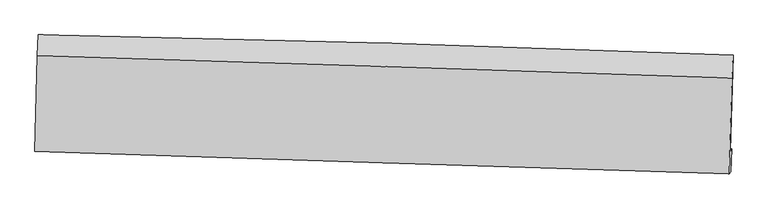
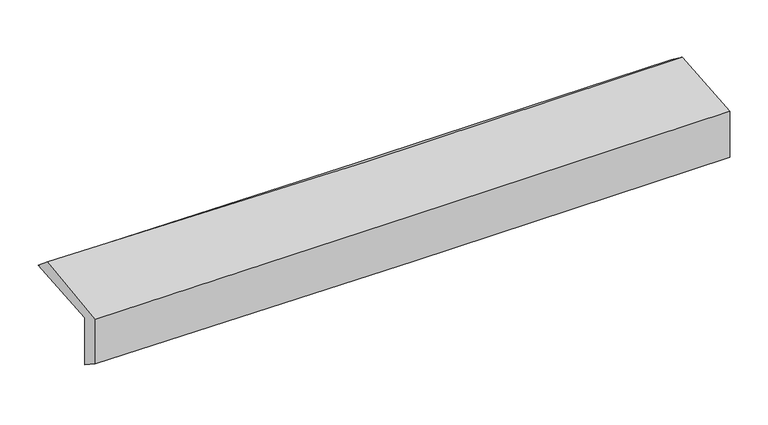
"""IFC4 building model written with IfcOpenShell, lengths in millimetres: proxy geometry."""

from ifc_helpers import new_model, si_unit, frame, origin, place, context, project, spatial, source, transform, mapped, element, save
from ifc_brep_helpers import plane_surface, spline_curve, spline_surface, advanced_brep


def generic_models_8200b34a(model_context):
    return source(origin(), model_context, "Body", "AdvancedBrep", [
        advanced_brep(
        [(-2439.6498476, -1728.8237636, 2002.9398305), (-2421.266568, -1064.4593625, 2025.6650623), (2425.2841714, -1205.2949627, 2102.9526581), (2405.9781784, -1880.3211587, 2079.8479111), (-2429.9802204, -1710.9555507, 1598.6023602), (2415.5301783, -1862.6703056, 1680.4290474), (-2436.7061098, -1863.5817476, 1703.8363478), (2408.1094389, -2021.0541666, 1802.8298453), (-2445.8109644, -1880.4063343, 2084.557736), (2398.7616136, -2038.3277314, 2193.7110996), (-2428.0292953, -1208.8277278, 2142.8921568), (2417.8814587, -1365.5763742, 2222.0918578)],
        [
            (0, 1),
            (1, 2, spline_curve(3, [(-2421.266568, -1064.4593625, 2025.6650623), (-1609.651359418, -1078.595682225, 2025.73288734), (-798.291115388, -1097.468355938, 2032.260807958), (817.221604103, -1144.491455516, 2058.129590294), (1621.378273412, -1172.563981809, 2077.364201481), (2425.2841714, -1205.2949627, 2102.9526581)], [4, 2, 4], [0.0, 7.987529274662951, 15.90910017285966])),
            (2, 3),
            (3, 0, spline_curve(3, [(2405.9781784, -1880.3211587, 2079.8479111), (1602.036009388, -1852.642035545, 2054.08909397), (797.937386364, -1826.224779291, 2034.800313799), (-817.269339615, -1775.704546615, 2009.056093884), (-1628.380058124, -1751.622670915, 2002.708846862), (-2439.6498476, -1728.8237636, 2002.9398305)], [4, 2, 4], [0.0, 7.921570898196708, 15.90910017285966])),
            (4, 0),
            (3, 5),
            (5, 4, spline_curve(3, [(2415.5301783, -1862.6703056, 1680.4290474), (1611.567805069, -1835.02851741, 1655.515080639), (807.468758852, -1808.612042787, 1636.243984907), (-807.699088514, -1758.019967864, 1608.874061485), (-1618.770175359, -1733.864857589, 1600.869594741), (-2429.9802204, -1710.9555507, 1598.6023602)], [4, 2, 4], [0.0, 7.92098272239064, 15.907918923845008])),
            (6, 4),
            (5, 7),
            (7, 6, spline_curve(3, [(2408.1094389, -2021.0541666, 1802.8298453), (1604.116918299, -1994.292904159, 1779.190619166), (800.06016099, -1967.842682812, 1759.140806129), (-814.877280802, -1915.346675023, 1726.082950968), (-1625.759039887, -1889.306090219, 1713.134931219), (-2436.7061098, -1863.5817476, 1703.8363478)], [4, 2, 4], [0.0, 7.920714050349884, 15.907379342685541])),
            (8, 6),
            (7, 9),
            (9, 8, spline_curve(3, [(2398.7616136, -2038.3277314, 2193.7110996), (1594.731837182, -2011.635313215, 2171.629736455), (790.676454645, -1985.182551126, 2151.522434852), (-824.180642953, -1932.538077778, 2115.104969661), (-1634.982786608, -1906.350374155, 2098.827816712), (-2445.8109644, -1880.4063343, 2084.557736)], [4, 2, 4], [0.0, 7.920456910714483, 15.906862922360512])),
            (10, 8),
            (9, 11),
            (11, 10, spline_curve(3, [(2417.8814587, -1365.5763742, 2222.0918578), (1613.86437767, -1338.684984546, 2195.075267248), (809.704777537, -1312.22924511, 2174.965605147), (-805.596423879, -1259.972411129, 2148.450205662), (-1616.740408384, -1234.178602001, 2142.15996775), (-2428.0292953, -1208.8277278, 2142.8921568)], [4, 2, 4], [0.0, 7.92106609079863, 15.908086354821894])),
            (1, 10),
            (11, 2),
        ],
        [
            spline_surface(3, 3, [[(-2439.6498476, -1728.8237636, 2002.9398305), (-1628.380058253, -1751.622670946, 2002.708846962), (-817.269339499, -1775.70454652, 2009.056093852), (797.937386248, -1826.224779386, 2034.800313831), (1602.036009485, -1852.642035519, 2054.089093862), (2405.9781784, -1880.3211587, 2079.8479111)], [(-2433.522087705, -1507.368963217, 2010.514907768), (-1622.137158637, -1527.280341371, 2010.383527081), (-810.943264808, -1549.625816327, 2016.790998607), (804.365458914, -1598.980338096, 2042.576739286), (1608.483430778, -1625.949350965, 2061.84746304), (2412.413509402, -1655.312426673, 2087.549493445)], [(-2427.394327895, -1285.914162883, 2018.089985032), (-1615.894259104, -1302.938011842, 2018.058207196), (-804.61719017, -1323.547086133, 2024.525903333), (810.793531527, -1371.735896804, 2050.35316471), (1614.930852067, -1399.256666491, 2069.605832183), (2418.848840398, -1430.303694727, 2095.251075755)], [(-2421.266568, -1064.4593625, 2025.6650623), (-1609.651359488, -1078.595682267, 2025.732887315), (-798.291115479, -1097.46835594, 2032.260808088), (817.221604193, -1144.491455514, 2058.129590165), (1621.378273361, -1172.563981936, 2077.364201361), (2425.2841714, -1205.2949627, 2102.9526581)]], [4, 4], [4, 2, 4], [0.0, 2.2330607099106308], [0.0, 7.987529274662951, 15.90910017285966]),
            spline_surface(3, 3, [[(-2429.9802204, -1710.9555507, 1598.6023602), (-1618.7701753, -1733.864857639, 1600.869594704), (-807.699088562, -1758.019967887, 1608.874061431), (807.4687589, -1808.612042765, 1636.243984962), (1611.567805002, -1835.028517489, 1655.515080608), (2415.5301783, -1862.6703056, 1680.4290474)], [(-2433.203429466, -1716.911621688, 1733.381516997), (-1621.973469616, -1739.784128763, 1734.816012153), (-810.889172215, -1763.914827423, 1742.268072236), (804.291634675, -1814.482954964, 1769.096094583), (1608.390539805, -1840.899690187, 1788.373085016), (2412.346178309, -1868.553923321, 1813.568668623)], [(-2436.426638534, -1722.867692612, 1868.160673703), (-1625.176763936, -1745.703399822, 1868.762429512), (-814.079255846, -1769.809686983, 1875.662083046), (801.114510473, -1820.353867186, 1901.948204209), (1605.213274682, -1846.770862822, 1921.231089455), (2409.162178391, -1874.437540979, 1946.708289877)], [(-2439.6498476, -1728.8237636, 2002.9398305), (-1628.380058253, -1751.622670946, 2002.708846962), (-817.269339499, -1775.70454652, 2009.056093852), (797.937386248, -1826.224779386, 2034.800313831), (1602.036009485, -1852.642035519, 2054.089093862), (2405.9781784, -1880.3211587, 2079.8479111)]], [4, 4], [4, 2, 4], [0.0, 1.3119416534246389], [0.0, 7.986936201454368, 15.907918923845008]),
            spline_surface(3, 3, [[(-2436.7061098, -1863.5817476, 1703.8363478), (-1625.759039946, -1889.306090329, 1713.134931264), (-814.877280929, -1915.346675106, 1726.082950876), (800.060161116, -1967.84268273, 1759.140806221), (1604.116918354, -1994.292904265, 1779.190619066), (2408.1094389, -2021.0541666, 1802.8298453)], [(-2434.464146679, -1812.70634863, 1668.75835193), (-1623.42941841, -1837.492346095, 1675.713152407), (-812.484550129, -1862.904439377, 1687.01332105), (802.529693721, -1914.765802753, 1718.175199124), (1606.600547265, -1941.204775323, 1737.965439569), (2410.583018728, -1968.259546249, 1762.029579322)], [(-2432.222183521, -1761.83094967, 1633.68035607), (-1621.099796836, -1785.678601873, 1638.29137356), (-810.091819362, -1810.462203616, 1647.943691256), (804.999226294, -1861.688922742, 1677.209592058), (1609.084176091, -1888.116646432, 1696.740260105), (2413.056598472, -1915.464925951, 1721.229313378)], [(-2429.9802204, -1710.9555507, 1598.6023602), (-1618.7701753, -1733.864857639, 1600.869594704), (-807.699088562, -1758.019967887, 1608.874061431), (807.4687589, -1808.612042765, 1636.243984962), (1611.567805002, -1835.028517489, 1655.515080608), (2415.5301783, -1862.6703056, 1680.4290474)]], [4, 4], [4, 2, 4], [0.0, 0.6521349584195241], [0.0, 7.986665292335657, 15.907379342685541]),
            spline_surface(3, 3, [[(-2445.8109644, -1880.4063343, 2084.557736), (-1634.982786632, -1906.350374136, 2098.82781676), (-824.180643072, -1932.538077817, 2115.104969667), (790.676454763, -1985.182551088, 2151.522434846), (1594.731837157, -2011.635313115, 2171.629736415), (2398.7616136, -2038.3277314, 2193.7110996)], [(-2442.776012857, -1874.798138719, 1957.6506066), (-1631.908204394, -1900.668946186, 1970.263521595), (-821.079522377, -1926.807610251, 1985.4309634), (793.804356862, -1979.402594973, 2020.728558635), (1597.860197533, -2005.854510165, 2040.816697291), (2401.877555343, -2032.569876466, 2063.417348159)], [(-2439.741061343, -1869.189943181, 1830.7434772), (-1628.833622185, -1894.987518279, 1841.699226429), (-817.978401625, -1921.077142673, 1855.756957142), (796.932259017, -1973.622638845, 1889.934682432), (1600.988557978, -2000.073707215, 1910.00365819), (2404.993497157, -2026.812021534, 1933.123596741)], [(-2436.7061098, -1863.5817476, 1703.8363478), (-1625.759039946, -1889.306090329, 1713.134931264), (-814.877280929, -1915.346675106, 1726.082950876), (800.060161116, -1967.84268273, 1759.140806221), (1604.116918354, -1994.292904265, 1779.190619066), (2408.1094389, -2021.0541666, 1802.8298453)]], [4, 4], [4, 2, 4], [0.0, 1.2834012539337911], [0.0, 7.986406011646029, 15.906862922360512]),
            spline_surface(3, 3, [[(-2428.0292953, -1208.8277278, 2142.8921568), (-1616.740408341, -1234.178602028, 2142.159967619), (-805.5964239, -1259.97241122, 2148.450205779), (809.704777559, -1312.22924502, 2174.965605031), (1613.864377733, -1338.684984662, 2195.075267195), (2417.8814587, -1365.5763742, 2222.0918578)], [(-2433.956518334, -1432.687263298, 2123.447349847), (-1622.821201105, -1458.235859395, 2127.715917313), (-811.791163602, -1484.160966739, 2137.335127081), (803.362003316, -1536.547013696, 2167.151214976), (1607.486864204, -1563.001760824, 2187.260090273), (2411.508176996, -1589.826826611, 2212.631605071)], [(-2439.883741366, -1656.546798802, 2104.002542953), (-1628.901993868, -1682.293116768, 2113.271867067), (-817.985903371, -1708.349522298, 2126.220048364), (797.019229006, -1760.864782412, 2159.336824901), (1601.109350687, -1787.318536952, 2179.444913337), (2405.134895304, -1814.077278989, 2203.171352329)], [(-2445.8109644, -1880.4063343, 2084.557736), (-1634.982786632, -1906.350374136, 2098.82781676), (-824.180643072, -1932.538077817, 2115.104969667), (790.676454763, -1985.182551088, 2151.522434846), (1594.731837157, -2011.635313115, 2171.629736415), (2398.7616136, -2038.3277314, 2193.7110996)]], [4, 4], [4, 2, 4], [0.0, 2.210042853942952], [0.0, 7.987020264023264, 15.908086354821894]),
            spline_surface(3, 3, [[(-2421.266568, -1064.4593625, 2025.6650623), (-1609.651359488, -1078.595682267, 2025.732887315), (-798.291115479, -1097.46835594, 2032.260808088), (817.221604193, -1144.491455514, 2058.129590165), (1621.378273361, -1172.563981936, 2077.364201361), (2425.2841714, -1205.2949627, 2102.9526581)], [(-2423.520810459, -1112.582150948, 2064.740760458), (-1612.014375798, -1130.456655535, 2064.541914074), (-800.726218311, -1151.636374372, 2070.990607316), (814.71599529, -1200.404052022, 2097.074928452), (1618.873641507, -1227.937649523, 2116.601223319), (2422.816600522, -1258.722099878, 2142.66572468)], [(-2425.775052841, -1160.704939352, 2103.816458642), (-1614.377392031, -1182.317628759, 2103.35094086), (-803.161321069, -1205.804392788, 2109.720406551), (812.210386461, -1256.316648513, 2136.020266745), (1616.369009587, -1283.311317075, 2155.838245237), (2420.349029578, -1312.149237022, 2182.37879122)], [(-2428.0292953, -1208.8277278, 2142.8921568), (-1616.740408341, -1234.178602028, 2142.159967619), (-805.5964239, -1259.97241122, 2148.450205779), (809.704777559, -1312.22924502, 2174.965605031), (1613.864377733, -1338.684984662, 2195.075267195), (2417.8814587, -1365.5763742, 2222.0918578)]], [4, 4], [4, 2, 4], [0.0, 0.663404848695243], [0.0, 7.987927287803016, 15.909892912478842]),
            plane_surface(frame((2411.9241732, -1728.8741165, 2013.6437366), z_axis=(0.9993135210758849, -0.029354317122748226, 0.022601120794644377), x_axis=(0.02388461145387739, 0.04413565439715195, -0.9987399908618021))),
            plane_surface(frame((-2433.5738343, -1576.1757478, 1926.4155823), z_axis=(-0.9993393961144271, 0.02842671417949557, -0.02264273160662265), x_axis=(-0.027643734594048328, -0.9990335508551746, -0.034172916226085225))),
        ],
        [
            (0, [[1, 2, 3, 4]]),
            (1, [[5, -4, 6, 7]]),
            (2, [[8, -7, 9, 10]]),
            (3, [[11, -10, 12, 13]]),
            (4, [[14, -13, 15, 16]]),
            (5, [[17, -16, 18, -2]]),
            (6, [[-12, -9, -6, -3, -18, -15]]),
            (7, [[-1, -5, -8, -11, -14, -17]]),
        ],
    ),
    ])


if __name__ == "__main__":
    model = new_model("IFC4")
    model_context = context("Model", 3, world=origin())
    ifc_project = project(units=[si_unit("LENGTHUNIT", "METRE", prefix="MILLI")], contexts=[model_context])
    site = spatial("IfcSite", under=ifc_project)
    building = spatial("IfcBuilding", under=site)
    placement = place(None, origin())
    generic_models_shape = generic_models_8200b34a(model_context)
    element("IfcBuildingElementProxy", 1, Name="Generic Models", at=placement, inside=building, context=model_context, shape_type="MappedRepresentation", body=[
        mapped(generic_models_shape, transform((0.0, 0.0, 0.0), x_axis=(1.0, 0.0, 0.0), y_axis=(0.0, 1.0, 0.0), z_axis=(0.0, 0.0, 1.0))),
    ])
    save(model, "model.ifc")
